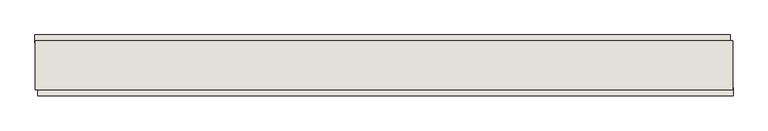
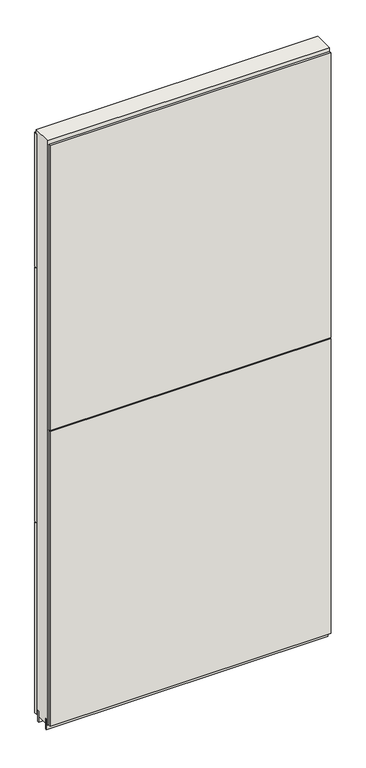
"""IFC4 building model written with IfcOpenShell, lengths in millimetres: wall geometry."""

from ifc_helpers import new_model, si_unit, frame, origin, place, context, project, spatial, polyline, outline, extrude, source, transform, mapped, element, save


def wall_9181f8cc(model_context):
    return source(origin(), model_context, "Body", "SweptSolid", [
        extrude(outline(polyline([(58628.3668172, -52822.2095954), (58630.9068172, -52822.2095954), (58630.9068172, -52824.7495954), (58628.3668172, -52824.7495954), (58628.3668172, -52822.2095954)])), frame((0.0, 0.0, 4419.6), z_axis=(0.0, 0.0, 1.0), x_axis=(1.0, 0.0, 0.0)), (0.0, 0.0, 1.0), 2.54),
        extrude(outline(polyline([(58631.3699354, -52874.2795954), (57466.9699274, -52874.2795954), (57466.9699274, -52861.5795954), (58631.3699354, -52861.5795954), (58631.3699354, -52874.2795954)])), frame((0.0, 0.0, 5742.4000722), z_axis=(0.0, 0.0, 1.0), x_axis=(1.0, 0.0, 0.0)), (0.0, 0.0, 1.0), 1247.649905),
        extrude(outline(polyline([(58631.3699354, -52874.2795954), (57466.9699274, -52874.2795954), (57466.9699274, -52861.5795954), (58631.3699354, -52861.5795954), (58631.3699354, -52874.2795954)])), frame((0.0, 0.0, 4445.0), z_axis=(0.0, 0.0, 1.0), x_axis=(1.0, 0.0, 0.0)), (0.0, 0.0, 1.0), 1293.400004),
        extrude(outline(polyline([(57462.0461882, -52772.6795954), (58626.4461962, -52772.6795954), (58626.4461962, -52785.3795954), (57462.0461882, -52785.3795954), (57462.0461882, -52772.6795954)])), frame((0.0, 0.0, 6402.8000722), z_axis=(0.0, 0.0, 1.0), x_axis=(1.0, 0.0, 0.0)), (0.0, 0.0, 1.0), 587.2498034),
        extrude(outline(polyline([(57462.0461882, -52772.6795954), (58626.4461962, -52772.6795954), (58626.4461962, -52785.3795954), (57462.0461882, -52785.3795954), (57462.0461882, -52772.6795954)])), frame((0.0, 0.0, 5285.2000722), z_axis=(0.0, 0.0, 1.0), x_axis=(1.0, 0.0, 0.0)), (0.0, 0.0, 1.0), 1113.5999572),
        extrude(outline(polyline([(57462.0461882, -52772.6795954), (58626.4461962, -52772.6795954), (58626.4461962, -52785.3795954), (57462.0461882, -52785.3795954), (57462.0461882, -52772.6795954)])), frame((0.0, 0.0, 4445.0), z_axis=(0.0, 0.0, 1.0), x_axis=(1.0, 0.0, 0.0)), (0.0, 0.0, 1.0), 836.200004),
        extrude(outline(polyline([(57462.4956666, -52848.56334), (58630.8956666, -52848.56334), (58630.8956666, -52853.6420954), (57462.4956666, -52853.6420954), (57462.4956666, -52848.56334)])), frame((0.0, 0.0, 4418.6602), z_axis=(0.0, 0.0, 1.0), x_axis=(1.0, 0.0, 0.0)), (0.0, 0.0, 1.0), 47.625),
        extrude(outline(polyline([(57462.4956666, -52848.56334), (58630.8956666, -52848.56334), (58630.8956666, -52853.6420954), (57462.4956666, -52853.6420954), (57462.4956666, -52848.56334)])), frame((0.0, 0.0, 4418.6602), z_axis=(0.0, 0.0, 1.0), x_axis=(1.0, 0.0, 0.0)), (0.0, 0.0, 1.0), 47.625),
        extrude(outline(polyline([(58630.8956666, -52798.3958508), (57462.4956666, -52798.3958508), (57462.4956666, -52793.3170954), (58630.8956666, -52793.3170954), (58630.8956666, -52798.3958508)])), frame((0.0, 0.0, 4418.6602), z_axis=(0.0, 0.0, 1.0), x_axis=(1.0, 0.0, 0.0)), (0.0, 0.0, 1.0), 47.625),
        extrude(outline(polyline([(58630.8956666, -52798.3958508), (57462.4956666, -52798.3958508), (57462.4956666, -52793.3170954), (58630.8956666, -52793.3170954), (58630.8956666, -52798.3958508)])), frame((0.0, 0.0, 4418.6602), z_axis=(0.0, 0.0, 1.0), x_axis=(1.0, 0.0, 0.0)), (0.0, 0.0, 1.0), 47.625),
        extrude(outline(polyline([(57462.4956666, -52864.1282822), (57462.4956666, -52782.824711), (58630.8956666, -52782.824711), (58630.8956666, -52864.1282822), (57462.4956666, -52864.1282822)])), frame((0.0, 0.0, 4445.0), z_axis=(0.0, 0.0, 1.0), x_axis=(1.0, 0.0, 0.0)), (0.0, 0.0, 1.0), 2562.4536762),
    ])


if __name__ == "__main__":
    model = new_model("IFC4")
    model_context = context("Model", 3, world=origin())
    ifc_project = project(units=[si_unit("LENGTHUNIT", "METRE", prefix="MILLI")], contexts=[model_context])
    site = spatial("IfcSite", under=ifc_project)
    building = spatial("IfcBuilding", under=site)
    placement = place(None, origin())
    wall_shape = wall_9181f8cc(model_context)
    element("IfcWall", 1, at=placement, inside=building, context=model_context, shape_type="MappedRepresentation", body=[
        mapped(wall_shape, transform((0.0, 0.0, 0.0), x_axis=(1.0, 0.0, 0.0), y_axis=(0.0, 1.0, 0.0), z_axis=(0.0, 0.0, 1.0))),
    ])
    save(model, "model.ifc")
